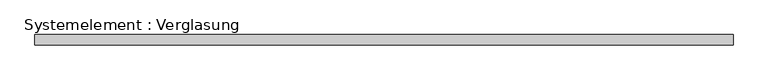
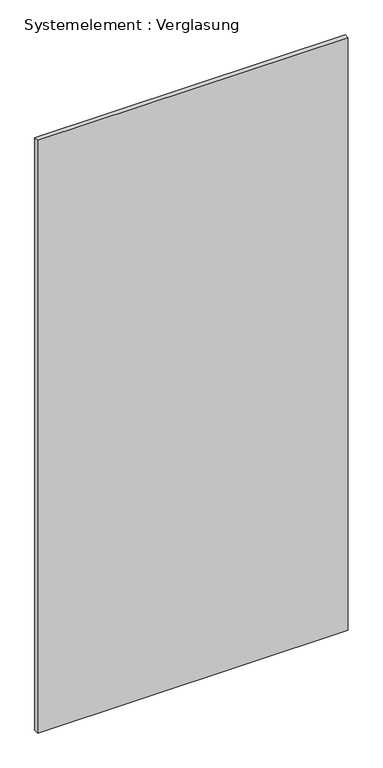
"""IFC4 building model written with IfcOpenShell, lengths in millimetres: plate geometry, Systemelement : Verglasung."""

from ifc_helpers import new_model, si_unit, origin, origin_with_axes, place, context, project, spatial, polyline, outline, extrude, source, transform, mapped, element, save


def systemelement_verglasung_00d76610(model_context):
    return source(origin(), model_context, "Body", "SweptSolid", [
        extrude(outline(polyline([(1031.1213028, -15.0), (-1031.1213028, -15.0), (-1031.1213028, 15.0), (1031.1213028, 15.0), (1031.1213028, -15.0)])), origin_with_axes(), (0.0, 0.0, 1.0), 4160.0),
    ])


if __name__ == "__main__":
    model = new_model("IFC4")
    model_context = context("Model", 3, world=origin())
    ifc_project = project(units=[si_unit("LENGTHUNIT", "METRE", prefix="MILLI")], contexts=[model_context])
    site = spatial("IfcSite", under=ifc_project)
    building = spatial("IfcBuilding", under=site)
    placement = place(None, origin())
    systemelement_verglasung_shape = systemelement_verglasung_00d76610(model_context)
    element("IfcPlate", 1, ObjectType="Systemelement : Verglasung", at=placement, inside=building, context=model_context, shape_type="MappedRepresentation", body=[
        mapped(systemelement_verglasung_shape, transform((0.0, 0.0, 0.0), x_axis=(1.0, 0.0, 0.0), y_axis=(0.0, 1.0, 0.0), z_axis=(0.0, 0.0, 1.0))),
    ])
    save(model, "model.ifc")
